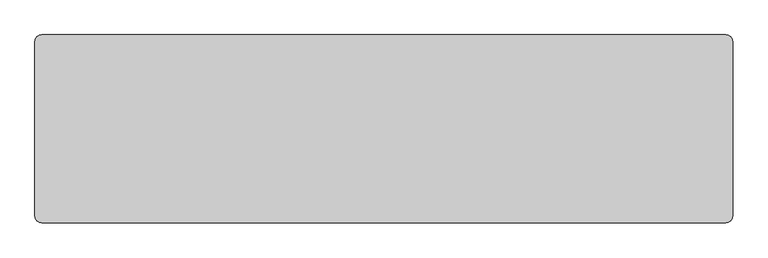
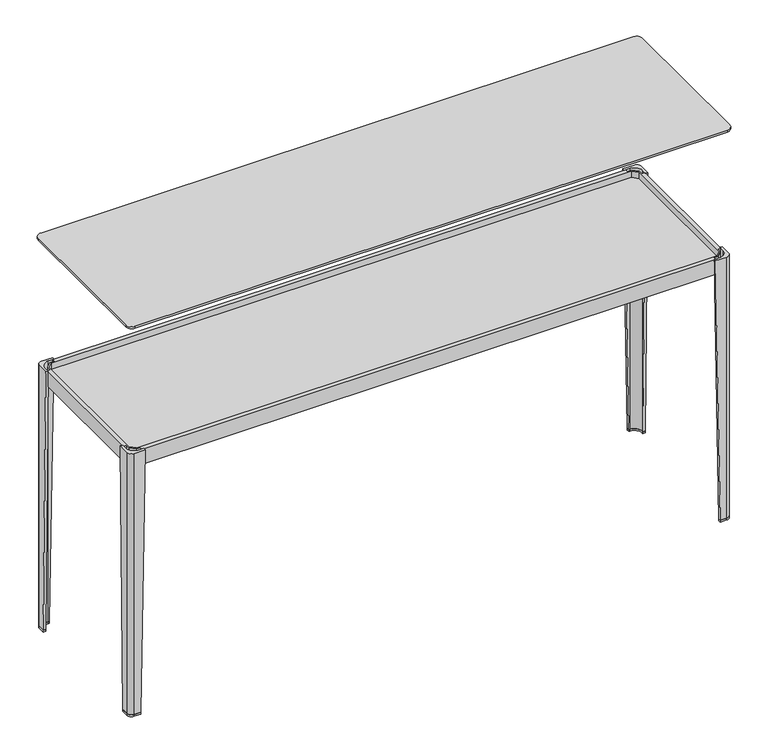
"""IFC4 building model written with IfcOpenShell, lengths in millimetres: furniture geometry."""

from ifc_helpers import new_model, si_unit, point, frame, frame_2d, origin, place, context, project, spatial, polyline, circle_curve, trimmed, segment, composite_curve, outline, extrude, source, transform, mapped, element, save
from ifc_brep_helpers import plane_surface, cylinder_surface, revolved_surface, advanced_brep


def furniture_13eafac0(model_context):
    return source(origin(), model_context, "Body", "SolidModel", [
        advanced_brep(
        [(481.2947115, -150.3399901, 276.4600147), (487.294712, -150.3399901, 276.4600147), (487.294712, -141.2900835, 276.4600147), (470.3447824, -124.3400512, 276.4600147), (461.2947127, -124.3399964, 276.4600147), (461.2947127, -130.3400481, 276.4600147), (470.6881096, -130.3400481, 276.4600147), (481.2947115, -140.9465954, 276.4600147), (481.2947115, -142.5065293, 261.4600037), (481.2947115, -140.9465954, 261.4600037), (470.6881096, -130.3400481, 261.4600037), (469.1282257, -130.3400481, 261.4600037), (469.1282257, -124.3400439, 261.4600037), (470.3447824, -124.3400512, 261.4600037), (487.294712, -141.2900835, 261.4600037), (487.294712, -142.5065293, 261.4600037)],
        [
            (0, 1),
            (1, 2),
            (2, 3, circle_curve(frame((470.3446797, -141.2900835, 276.4600147), z_axis=(0.0, 0.0, 1.0), x_axis=(0.0, 1.0, 0.0)), 16.9500323)),
            (3, 4),
            (4, 5),
            (5, 6),
            (6, 7),
            (7, 0),
            (8, 9),
            (9, 10),
            (10, 11),
            (11, 12),
            (12, 13),
            (13, 14, circle_curve(frame((470.3446797, -141.2900835, 261.4600037), z_axis=(0.0, 0.0, -1.0), x_axis=(0.0, 1.0, 0.0)), 16.9500323)),
            (14, 15),
            (15, 8),
            (15, 1),
            (0, 8),
            (14, 2),
            (13, 3),
            (12, 4),
            (11, 5),
            (10, 6),
            (9, 7),
        ],
        [
            plane_surface(frame((475.1001455, -136.5346004, 276.4600147), z_axis=(0.0, 0.0, 1.0), x_axis=(1.0, 0.0, 0.0))),
            plane_surface(frame((477.0585238, -134.5762411, 261.4600037), z_axis=(0.0, 0.0, -1.0), x_axis=(1.0, 0.0, 0.0))),
            plane_surface(frame((484.2947117, -142.5065293, 261.4600037), z_axis=(0.0, -0.8864062173017704, -0.46290821760773126), x_axis=(1.0, 0.0, 0.0))),
            plane_surface(frame((487.294712, -141.8983064, 261.4600037), z_axis=(1.0, 0.0, 0.0), x_axis=(0.0, 1.0, 0.0))),
            cylinder_surface(frame((470.3446797, -141.2900835, 261.4600037), z_axis=(0.0, 0.0, 1.0), x_axis=(0.0, 1.0, 0.0)), 16.9500323),
            plane_surface(frame((469.7365041, -124.3400475, 261.4600037), z_axis=(6.055831599460085e-06, 0.9999999999816634, 0.0), x_axis=(-0.9999999999816634, 6.055831599460085e-06, 0.0))),
            plane_surface(frame((469.1282257, -127.340046, 261.4600037), z_axis=(-0.8864049508100563, 0.0, -0.4629106427588608), x_axis=(0.0, -1.0, 0.0))),
            plane_surface(frame((469.9081677, -130.3400481, 261.4600037), z_axis=(0.0, -1.0, 0.0), x_axis=(1.0, 0.0, 0.0))),
            plane_surface(frame((475.9914105, -135.6433217, 261.4600037), z_axis=(-0.7071049644303243, -0.707108597938103, 0.0), x_axis=(0.707108597938103, -0.7071049644303243, 0.0))),
            plane_surface(frame((481.2947115, -141.7265623, 261.4600037), z_axis=(-1.0, 0.0, 0.0), x_axis=(0.0, -1.0, 0.0))),
        ],
        [
            (0, [[1, 2, 3, 4, 5, 6, 7, 8]]),
            (1, [[9, 10, 11, 12, 13, 14, 15, 16]]),
            (2, [[-16, 17, -1, 18]]),
            (3, [[-15, 19, -2, -17]]),
            (4, [[-14, 20, -3, -19]]),
            (5, [[-13, 21, -4, -20]]),
            (6, [[-12, 22, -5, -21]]),
            (7, [[-11, 23, -6, -22]]),
            (8, [[-10, 24, -7, -23]]),
            (9, [[-9, -18, -8, -24]]),
        ],
    ),
        advanced_brep(
        [(-792.1852878, -150.3399901, 276.4600147), (-792.1852878, -140.9465954, 276.4600147), (-781.5786859, -130.3400481, 276.4600147), (-772.185289, -130.3400481, 276.4600147), (-772.185289, -124.3399964, 276.4600147), (-781.2353587, -124.3400512, 276.4600147), (-798.1852883, -141.2900835, 276.4600147), (-798.1852883, -150.3399901, 276.4600147), (-792.1852878, -142.5065293, 261.4600037), (-798.1852883, -142.5065293, 261.4600037), (-798.1852883, -141.2900835, 261.4600037), (-781.2353587, -124.3400512, 261.4600037), (-780.018802, -124.3400439, 261.4600037), (-780.018802, -130.3400481, 261.4600037), (-781.5786859, -130.3400481, 261.4600037), (-792.1852878, -140.9465954, 261.4600037)],
        [
            (0, 1),
            (1, 2),
            (2, 3),
            (3, 4),
            (4, 5),
            (5, 6, circle_curve(frame((-781.235256, -141.2900835, 276.4600147), z_axis=(0.0, 0.0, 1.0), x_axis=(-0.9999999999816634, -6.055831230556176e-06, 0.0)), 16.9500323)),
            (6, 7),
            (7, 0),
            (8, 9),
            (9, 10),
            (10, 11, circle_curve(frame((-781.235256, -141.2900835, 261.4600037), z_axis=(0.0, 0.0, -1.0), x_axis=(-0.9999999999816634, -6.055831230556176e-06, 0.0)), 16.9500323)),
            (11, 12),
            (12, 13),
            (13, 14),
            (14, 15),
            (15, 8),
            (8, 0),
            (7, 9),
            (6, 10),
            (5, 11),
            (4, 12),
            (3, 13),
            (2, 14),
            (1, 15),
        ],
        [
            plane_surface(frame((-785.9907218, -136.5346004, 276.4600147), z_axis=(0.0, 0.0, 1.0), x_axis=(0.0, 1.0, 0.0))),
            plane_surface(frame((-787.9491001, -134.5762411, 261.4600037), z_axis=(0.0, 0.0, -1.0), x_axis=(0.0, 1.0, 0.0))),
            plane_surface(frame((-795.185288, -142.5065293, 261.4600037), z_axis=(0.0, -0.886406217301813, -0.46290821760764955), x_axis=(1.0, 0.0, 0.0))),
            plane_surface(frame((-798.1852883, -141.8983064, 261.4600037), z_axis=(-1.0, 0.0, 0.0), x_axis=(0.0, -1.0, 0.0))),
            cylinder_surface(frame((-781.235256, -141.2900835, 261.4600037), z_axis=(0.0, 0.0, 1.0), x_axis=(-0.9999999999816634, -6.055831230556176e-06, 0.0)), 16.9500323),
            plane_surface(frame((-780.6270804, -124.3400475, 261.4600037), z_axis=(-6.055831517198985e-06, 0.9999999999816636, 0.0), x_axis=(-0.9999999999816636, -6.055831517198985e-06, 0.0))),
            plane_surface(frame((-780.018802, -127.340046, 261.4600037), z_axis=(0.8864049508100531, 0.0, -0.4629106427588671), x_axis=(0.0, 1.0, 0.0))),
            plane_surface(frame((-780.798744, -130.3400481, 261.4600037), z_axis=(0.0, -1.0, 0.0), x_axis=(1.0, 0.0, 0.0))),
            plane_surface(frame((-786.8819868, -135.6433217, 261.4600037), z_axis=(0.7071049644302183, -0.707108597938209, 0.0), x_axis=(0.707108597938209, 0.7071049644302183, 0.0))),
            plane_surface(frame((-792.1852878, -141.7265623, 261.4600037), z_axis=(1.0, 0.0, 0.0), x_axis=(0.0, 1.0, 0.0))),
        ],
        [
            (0, [[1, 2, 3, 4, 5, 6, 7, 8]]),
            (1, [[9, 10, 11, 12, 13, 14, 15, 16]]),
            (2, [[-9, 17, -8, 18]]),
            (3, [[-10, -18, -7, 19]]),
            (4, [[-11, -19, -6, 20]]),
            (5, [[-12, -20, -5, 21]]),
            (6, [[-13, -21, -4, 22]]),
            (7, [[-14, -22, -3, 23]]),
            (8, [[-15, -23, -2, 24]]),
            (9, [[-16, -24, -1, -17]]),
        ],
    ),
        advanced_brep(
        [(481.2947115, -433.8600099, 276.4600147), (481.2947115, -443.2534046, 276.4600147), (470.6881096, -453.8599519, 276.4600147), (461.2947127, -453.8599519, 276.4600147), (461.2947127, -459.8600036, 276.4600147), (470.3447824, -459.8599488, 276.4600147), (487.294712, -442.9099165, 276.4600147), (487.294712, -433.8600099, 276.4600147), (481.2947115, -441.6934707, 261.4600037), (487.294712, -441.6934707, 261.4600037), (487.294712, -442.9099165, 261.4600037), (470.3447824, -459.8599488, 261.4600037), (469.1282257, -459.8599561, 261.4600037), (469.1282257, -453.8599519, 261.4600037), (470.6881096, -453.8599519, 261.4600037), (481.2947115, -443.2534046, 261.4600037)],
        [
            (0, 1),
            (1, 2),
            (2, 3),
            (3, 4),
            (4, 5),
            (5, 6, circle_curve(frame((470.3446797, -442.9099165, 276.4600147), z_axis=(0.0, 0.0, 1.0), x_axis=(0.9999999999816634, 6.055831301732914e-06, 0.0)), 16.9500323)),
            (6, 7),
            (7, 0),
            (8, 9),
            (9, 10),
            (10, 11, circle_curve(frame((470.3446797, -442.9099165, 261.4600037), z_axis=(0.0, 0.0, -1.0), x_axis=(0.9999999999816634, 6.055831301732914e-06, 0.0)), 16.9500323)),
            (11, 12),
            (12, 13),
            (13, 14),
            (14, 15),
            (15, 8),
            (8, 0),
            (7, 9),
            (6, 10),
            (5, 11),
            (4, 12),
            (3, 13),
            (2, 14),
            (1, 15),
        ],
        [
            plane_surface(frame((475.1001455, -447.6653996, 276.4600147), z_axis=(0.0, 0.0, 1.0), x_axis=(0.0, -1.0, 0.0))),
            plane_surface(frame((477.0585238, -449.6237589, 261.4600037), z_axis=(0.0, 0.0, -1.0), x_axis=(0.0, -1.0, 0.0))),
            plane_surface(frame((484.2947117, -441.6934707, 261.4600037), z_axis=(0.0, 0.8864062173018031, -0.4629082176076684), x_axis=(-1.0, 0.0, 0.0))),
            plane_surface(frame((487.294712, -442.3016936, 261.4600037), z_axis=(1.0, 0.0, 0.0), x_axis=(0.0, 1.0, 0.0))),
            cylinder_surface(frame((470.3446797, -442.9099165, 261.4600037), z_axis=(0.0, 0.0, 1.0), x_axis=(0.9999999999816634, 6.055831301732914e-06, 0.0)), 16.9500323),
            plane_surface(frame((469.7365041, -459.8599525, 261.4600037), z_axis=(6.0558315620688244e-06, -0.9999999999816636, 0.0), x_axis=(0.9999999999816636, 6.0558315620688244e-06, 0.0))),
            plane_surface(frame((469.1282257, -456.859954, 261.4600037), z_axis=(-0.8864049508100547, 0.0, -0.4629106427588639), x_axis=(0.0, -1.0, 0.0))),
            plane_surface(frame((469.9081677, -453.8599519, 261.4600037), z_axis=(0.0, 1.0, 0.0), x_axis=(-1.0, 0.0, 0.0))),
            plane_surface(frame((475.9914105, -448.5566783, 261.4600037), z_axis=(-0.7071049644302635, 0.7071085979381639, 0.0), x_axis=(-0.7071085979381639, -0.7071049644302635, 0.0))),
            plane_surface(frame((481.2947115, -442.4734377, 261.4600037), z_axis=(-1.0, 0.0, 0.0), x_axis=(0.0, -1.0, 0.0))),
        ],
        [
            (0, [[1, 2, 3, 4, 5, 6, 7, 8]]),
            (1, [[9, 10, 11, 12, 13, 14, 15, 16]]),
            (2, [[-9, 17, -8, 18]]),
            (3, [[-10, -18, -7, 19]]),
            (4, [[-11, -19, -6, 20]]),
            (5, [[-12, -20, -5, 21]]),
            (6, [[-13, -21, -4, 22]]),
            (7, [[-14, -22, -3, 23]]),
            (8, [[-15, -23, -2, 24]]),
            (9, [[-16, -24, -1, -17]]),
        ],
    ),
        advanced_brep(
        [(-792.1852878, -433.8600099, 276.4600147), (-798.1852883, -433.8600099, 276.4600147), (-798.1852883, -442.9099165, 276.4600147), (-781.2353587, -459.8599488, 276.4600147), (-772.185289, -459.8600036, 276.4600147), (-772.185289, -453.8599519, 276.4600147), (-781.5786859, -453.8599519, 276.4600147), (-792.1852878, -443.2534046, 276.4600147), (-792.1852878, -441.6934707, 261.4600037), (-792.1852878, -443.2534046, 261.4600037), (-781.5786859, -453.8599519, 261.4600037), (-780.018802, -453.8599519, 261.4600037), (-780.018802, -459.8599561, 261.4600037), (-781.2353587, -459.8599488, 261.4600037), (-798.1852883, -442.9099165, 261.4600037), (-798.1852883, -441.6934707, 261.4600037)],
        [
            (0, 1),
            (1, 2),
            (2, 3, circle_curve(frame((-781.235256, -442.9099165, 276.4600147), z_axis=(0.0, 0.0, 1.0), x_axis=(0.0, -1.0, 0.0)), 16.9500323)),
            (3, 4),
            (4, 5),
            (5, 6),
            (6, 7),
            (7, 0),
            (8, 9),
            (9, 10),
            (10, 11),
            (11, 12),
            (12, 13),
            (13, 14, circle_curve(frame((-781.235256, -442.9099165, 261.4600037), z_axis=(0.0, 0.0, -1.0), x_axis=(0.0, -1.0, 0.0)), 16.9500323)),
            (14, 15),
            (15, 8),
            (15, 1),
            (0, 8),
            (14, 2),
            (13, 3),
            (12, 4),
            (11, 5),
            (10, 6),
            (9, 7),
        ],
        [
            plane_surface(frame((-785.9907218, -447.6653996, 276.4600147), z_axis=(0.0, 0.0, 1.0), x_axis=(-1.0, 0.0, 0.0))),
            plane_surface(frame((-787.9491001, -449.6237589, 261.4600037), z_axis=(0.0, 0.0, -1.0), x_axis=(-1.0, 0.0, 0.0))),
            plane_surface(frame((-795.185288, -441.6934707, 261.4600037), z_axis=(0.0, 0.8864062173018425, -0.46290821760759304), x_axis=(-1.0, 0.0, 0.0))),
            plane_surface(frame((-798.1852883, -442.3016936, 261.4600037), z_axis=(-1.0, 0.0, 0.0), x_axis=(0.0, -1.0, 0.0))),
            cylinder_surface(frame((-781.235256, -442.9099165, 261.4600037), z_axis=(0.0, 0.0, 1.0), x_axis=(0.0, -1.0, 0.0)), 16.9500323),
            plane_surface(frame((-780.6270804, -459.8599525, 261.4600037), z_axis=(-6.055831547112392e-06, -0.9999999999816634, 0.0), x_axis=(0.9999999999816634, -6.055831547112392e-06, 0.0))),
            plane_surface(frame((-780.018802, -456.859954, 261.4600037), z_axis=(0.8864049508100531, 0.0, -0.4629106427588671), x_axis=(0.0, 1.0, 0.0))),
            plane_surface(frame((-780.798744, -453.8599519, 261.4600037), z_axis=(0.0, 1.0, 0.0), x_axis=(-1.0, 0.0, 0.0))),
            plane_surface(frame((-786.8819868, -448.5566783, 261.4600037), z_axis=(0.7071049644302341, 0.7071085979381933, 0.0), x_axis=(-0.7071085979381933, 0.7071049644302341, 0.0))),
            plane_surface(frame((-792.1852878, -442.4734377, 261.4600037), z_axis=(1.0, 0.0, 0.0), x_axis=(0.0, 1.0, 0.0))),
        ],
        [
            (0, [[1, 2, 3, 4, 5, 6, 7, 8]]),
            (1, [[9, 10, 11, 12, 13, 14, 15, 16]]),
            (2, [[-16, 17, -1, 18]]),
            (3, [[-15, 19, -2, -17]]),
            (4, [[-14, 20, -3, -19]]),
            (5, [[-13, 21, -4, -20]]),
            (6, [[-12, 22, -5, -21]]),
            (7, [[-11, 23, -6, -22]]),
            (8, [[-10, 24, -7, -23]]),
            (9, [[-9, -18, -8, -24]]),
        ],
    ),
        extrude(outline(polyline([(-789.6852882, -142.8399859), (-779.6852877, -132.8399854), (468.7947146, -132.8399854), (478.7946856, -142.8399859), (478.7946856, -441.3599882), (468.7947146, -451.3599592), (-779.6852877, -451.3599592), (-789.6852882, -441.3599882), (-789.6852882, -142.8399859)])), frame((0.0, 0.0, 276.4600147), z_axis=(0.0, 0.0, 1.0), x_axis=(1.0, 0.0, 0.0)), (0.0, 0.0, 1.0), 19.9999965),
        extrude(outline(polyline([(-798.1852883, -150.3399846), (-792.1852878, -150.3399846), (-792.1852878, -140.9465877), (-781.5786859, -130.367346), (-772.185289, -130.367346), (-772.185289, -124.3742235), (461.2947363, -124.3816933), (461.2947363, -130.367346), (470.688131, -130.367346), (481.2946783, -140.9465877), (481.2946783, -150.3399846), (487.294712, -150.3399846), (487.294712, -433.8600099), (481.2946783, -433.8600099), (481.2946783, -443.2534046), (470.688131, -453.8301616), (461.2947363, -453.8301616), (461.2947363, -459.8183069), (-772.185289, -459.8257766), (-772.185289, -453.8325919), (-781.5786859, -453.8325919), (-792.1852878, -443.2534046), (-792.1852878, -433.8600099), (-798.1852883, -433.8600099), (-798.1852883, -150.3399846)]), holes=[polyline([(-779.6852877, -451.3301688), (468.7947146, -451.3301688), (478.7946856, -441.3599882), (478.7946856, -142.8399859), (468.7947146, -132.8673456), (-779.6852877, -132.8673456), (-789.6852882, -142.8399859), (-789.6852882, -441.3599882), (-779.6852877, -451.3301688)])]), frame((0.0, 0.0, 276.4600147), z_axis=(0.0, 0.0, 1.0), x_axis=(1.0, 0.0, 0.0)), (0.0, 0.0, 1.0), 34.5000017),
        extrude(outline(composite_curve([segment(polyline([(-779.1852887, -119.3401441), (-779.1852887, -124.3400388), (-781.2353587, -124.3400512)]), True, "CONTINUOUS"), segment(trimmed(circle_curve(frame_2d((-781.235256, -141.2900835)), 16.9500323), [point((-781.2353587, -124.3400512))], [point((-798.1852883, -141.2900835))], True, "CARTESIAN"), True, "CONTINUOUS"), segment(polyline([(-798.1852883, -141.2900835), (-798.1852883, -143.3399813), (-803.1850423, -143.3399813), (-803.1850423, -128.9449672)]), True, "CONTINUOUS"), segment(trimmed(circle_curve(frame_2d((-793.5802193, -128.9449672)), 9.604823), [point((-803.1850423, -128.9449672))], [point((-793.5802193, -119.3401441))], False, "CARTESIAN"), True, "CONTINUOUS"), segment(polyline([(-793.5802193, -119.3401441), (-779.1852887, -119.3401441)]), True, "CONTINUOUS")], self_intersect=False)), frame((0.0, 0.0, -286.5199942), z_axis=(0.0, 0.0, 1.0), x_axis=(1.0, 0.0, 0.0)), (0.0, 0.0, 1.0), 4.0),
        advanced_brep(
        [(-793.5802193, -119.3401441, 311.4600223), (-803.1850423, -128.9449672, 311.4600223), (-803.1850423, -153.340025, 311.4600223), (-798.1852883, -153.340025, 311.4600223), (-798.1852883, -141.2900835, 311.4600223), (-781.2353587, -124.3400512, 311.4600223), (-769.1852881, -124.3399783, 311.4600223), (-769.1852881, -119.3401441, 311.4600223), (-793.5802193, -119.3401441, -282.5199942), (-779.1852887, -119.3401441, -282.5199942), (-779.1852887, -124.3400388, -282.5199942), (-781.2353587, -124.3400512, -282.5199942), (-798.1852883, -141.2900835, -282.5199942), (-798.1852883, -143.3399813, -282.5199942), (-803.1850423, -143.3399813, -282.5199942), (-803.1850423, -128.9449672, -282.5199942)],
        [
            (0, 1, circle_curve(frame((-793.5802193, -128.9449672, 311.4600223), z_axis=(0.0, 0.0, 1.0), x_axis=(-1.0, 0.0, 0.0)), 9.604823)),
            (1, 2),
            (2, 3),
            (3, 4),
            (4, 5, circle_curve(frame((-781.235256, -141.2900835, 311.4600223), z_axis=(0.0, 0.0, -1.0), x_axis=(0.0, 1.0, 0.0)), 16.9500323)),
            (5, 6),
            (6, 7),
            (7, 0),
            (8, 9),
            (9, 10),
            (10, 11),
            (11, 12, circle_curve(frame((-781.235256, -141.2900835, -282.5199942), z_axis=(0.0, 0.0, 1.0), x_axis=(0.0, 1.0, 0.0)), 16.9500323)),
            (12, 13),
            (13, 14),
            (14, 15),
            (15, 8, circle_curve(frame((-793.5802193, -128.9449672, -282.5199942), z_axis=(0.0, 0.0, -1.0), x_axis=(-1.0, 0.0, 0.0)), 9.604823)),
            (10, 6),
            (5, 11),
            (14, 2),
            (1, 15),
            (0, 8),
            (7, 9),
            (13, 3),
            (4, 12),
        ],
        [
            plane_surface(frame((-789.4908519, -133.0344273, 311.4600223), z_axis=(0.0, 0.0, 1.0), x_axis=(0.0, 1.0, 0.0))),
            plane_surface(frame((-791.9908521, -130.534424, -282.5199942), z_axis=(0.0, 0.0, -1.0), x_axis=(0.0, 1.0, 0.0))),
            plane_surface(frame((-780.2103237, -124.340045, -282.5199942), z_axis=(6.055830889075174e-06, -0.9999999999816634, 0.0), x_axis=(0.9999999999816634, 6.055830889075174e-06, 0.0))),
            plane_surface(frame((-803.1850423, -136.1424742, -282.5199942), z_axis=(-1.0, 0.0, 0.0), x_axis=(0.0, -1.0, 0.0))),
            cylinder_surface(frame((-793.5802193, -128.9449672, -282.5199942), z_axis=(0.0, 0.0, 1.0), x_axis=(-1.0, 0.0, 0.0)), 9.604823),
            plane_surface(frame((-786.382754, -119.3401441, -282.5199942), z_axis=(0.0, 1.0, 0.0), x_axis=(-1.0, 0.0, 0.0))),
            plane_surface(frame((-779.1852887, -121.8400915, -282.5199942), z_axis=(0.9998583116727935, 0.0, -0.016833198710612497), x_axis=(0.0, 1.0, 0.0))),
            plane_surface(frame((-800.6851653, -143.3399813, -282.5199942), z_axis=(0.0, -0.9998583104503462, -0.01683327132137671), x_axis=(1.0, 0.0, 0.0))),
            revolved_surface(polyline([(-781.235256, -124.3400512, 311.46002229999993), (-781.235256, -124.3400512, -282.5199942)]), (-781.235256, -141.2900835, -282.5199942), (0.0, 0.0, 1.0)),
            plane_surface(frame((-798.1852883, -142.3150324, -282.5199942), z_axis=(1.0, 0.0, 0.0), x_axis=(0.0, 1.0, 0.0))),
        ],
        [
            (0, [[1, 2, 3, 4, 5, 6, 7, 8]]),
            (1, [[9, 10, 11, 12, 13, 14, 15, 16]]),
            (2, [[-11, 17, -6, 18]]),
            (3, [[-15, 19, -2, 20]]),
            (4, [[-16, -20, -1, 21]]),
            (5, [[-9, -21, -8, 22]]),
            (6, [[-10, -22, -7, -17]]),
            (7, [[-14, 23, -3, -19]]),
            (8, [[-12, -18, -5, 24]]),
            (9, [[-13, -24, -4, -23]]),
        ],
    ),
        extrude(outline(composite_curve([segment(polyline([(468.2947124, -119.3401441), (482.689643, -119.3401441)]), True, "CONTINUOUS"), segment(trimmed(circle_curve(frame_2d((482.689643, -128.9449672)), 9.604823), [point((482.689643, -119.3401441))], [point((492.294466, -128.9449672))], False, "CARTESIAN"), True, "CONTINUOUS"), segment(polyline([(492.294466, -128.9449672), (492.294466, -143.3399813), (487.294712, -143.3399813), (487.294712, -141.2900835)]), True, "CONTINUOUS"), segment(trimmed(circle_curve(frame_2d((470.3446797, -141.2900835)), 16.9500323), [point((487.294712, -141.2900835))], [point((470.3447824, -124.3400512))], True, "CARTESIAN"), True, "CONTINUOUS"), segment(polyline([(470.3447824, -124.3400512), (468.2947124, -124.3400388), (468.2947124, -119.3401441)]), True, "CONTINUOUS")], self_intersect=False)), frame((0.0, 0.0, -286.5199942), z_axis=(0.0, 0.0, 1.0), x_axis=(1.0, 0.0, 0.0)), (0.0, 0.0, 1.0), 4.0),
        advanced_brep(
        [(482.689643, -119.3401441, 311.4600223), (458.2947118, -119.3401441, 311.4600223), (458.2947118, -124.3399783, 311.4600223), (470.3447824, -124.3400512, 311.4600223), (487.294712, -141.2900835, 311.4600223), (487.294712, -153.340025, 311.4600223), (492.294466, -153.340025, 311.4600223), (492.294466, -128.9449672, 311.4600223), (482.689643, -119.3401441, -282.5199942), (492.294466, -128.9449672, -282.5199942), (492.294466, -143.3399813, -282.5199942), (487.294712, -143.3399813, -282.5199942), (487.294712, -141.2900835, -282.5199942), (470.3447824, -124.3400512, -282.5199942), (468.2947124, -124.3400388, -282.5199942), (468.2947124, -119.3401441, -282.5199942)],
        [
            (0, 1),
            (1, 2),
            (2, 3),
            (3, 4, circle_curve(frame((470.3446797, -141.2900835, 311.4600223), z_axis=(0.0, 0.0, -1.0), x_axis=(0.9999999999816634, -6.055831369081084e-06, 0.0)), 16.9500323)),
            (4, 5),
            (5, 6),
            (6, 7),
            (7, 0, circle_curve(frame((482.689643, -128.9449672, 311.4600223), z_axis=(0.0, 0.0, 1.0), x_axis=(0.0, 1.0, 0.0)), 9.604823)),
            (8, 9, circle_curve(frame((482.689643, -128.9449672, -282.5199942), z_axis=(0.0, 0.0, -1.0), x_axis=(0.0, 1.0, 0.0)), 9.604823)),
            (9, 10),
            (10, 11),
            (11, 12),
            (12, 13, circle_curve(frame((470.3446797, -141.2900835, -282.5199942), z_axis=(0.0, 0.0, 1.0), x_axis=(0.9999999999816634, -6.055831369081084e-06, 0.0)), 16.9500323)),
            (13, 14),
            (14, 15),
            (15, 8),
            (13, 3),
            (2, 14),
            (9, 7),
            (6, 10),
            (8, 0),
            (15, 1),
            (5, 11),
            (12, 4),
        ],
        [
            plane_surface(frame((478.6002756, -133.0344273, 311.4600223), z_axis=(0.0, 0.0, 1.0), x_axis=(1.0, 0.0, 0.0))),
            plane_surface(frame((481.1002758, -130.534424, -282.5199942), z_axis=(0.0, 0.0, -1.0), x_axis=(1.0, 0.0, 0.0))),
            plane_surface(frame((469.3197474, -124.340045, -282.5199942), z_axis=(-6.055832107868581e-06, -0.9999999999816634, 0.0), x_axis=(0.9999999999816634, -6.055832107868581e-06, 0.0))),
            plane_surface(frame((492.294466, -136.1424742, -282.5199942), z_axis=(1.0, 0.0, 0.0), x_axis=(0.0, 1.0, 0.0))),
            cylinder_surface(frame((482.689643, -128.9449672, -282.5199942), z_axis=(0.0, 0.0, 1.0), x_axis=(0.0, 1.0, 0.0)), 9.604823),
            plane_surface(frame((475.4921777, -119.3401441, -282.5199942), z_axis=(0.0, 1.0, 0.0), x_axis=(-1.0, 0.0, 0.0))),
            plane_surface(frame((468.2947124, -121.8400915, -282.5199942), z_axis=(-0.9998583116727936, 0.0, -0.016833198710608163), x_axis=(0.0, -1.0, 0.0))),
            plane_surface(frame((489.794589, -143.3399813, -282.5199942), z_axis=(0.0, -0.999858310450344, -0.016833271321508653), x_axis=(1.0, 0.0, 0.0))),
            revolved_surface(polyline([(487.2947119996892, -141.2901861465373, 311.46002229999993), (487.2947119996892, -141.2901861465373, -282.5199942)]), (470.3446797, -141.2900835, -282.5199942), (0.0, 0.0, 1.0)),
            plane_surface(frame((487.294712, -142.3150324, -282.5199942), z_axis=(-1.0, 0.0, 0.0), x_axis=(0.0, -1.0, 0.0))),
        ],
        [
            (0, [[1, 2, 3, 4, 5, 6, 7, 8]]),
            (1, [[9, 10, 11, 12, 13, 14, 15, 16]]),
            (2, [[-14, 17, -3, 18]]),
            (3, [[-10, 19, -7, 20]]),
            (4, [[-9, 21, -8, -19]]),
            (5, [[-16, 22, -1, -21]]),
            (6, [[-15, -18, -2, -22]]),
            (7, [[-11, -20, -6, 23]]),
            (8, [[-13, 24, -4, -17]]),
            (9, [[-12, -23, -5, -24]]),
        ],
    ),
        extrude(outline(composite_curve([segment(polyline([(468.2947124, -464.8598559), (468.2947124, -459.8599612), (470.3447824, -459.8599488)]), True, "CONTINUOUS"), segment(trimmed(circle_curve(frame_2d((470.3446797, -442.9099165)), 16.9500323), [point((470.3447824, -459.8599488))], [point((487.294712, -442.9099165))], True, "CARTESIAN"), True, "CONTINUOUS"), segment(polyline([(487.294712, -442.9099165), (487.294712, -440.8600187), (492.294466, -440.8600187), (492.294466, -455.2550328)]), True, "CONTINUOUS"), segment(trimmed(circle_curve(frame_2d((482.689643, -455.2550328)), 9.604823), [point((492.294466, -455.2550328))], [point((482.689643, -464.8598559))], False, "CARTESIAN"), True, "CONTINUOUS"), segment(polyline([(482.689643, -464.8598559), (468.2947124, -464.8598559)]), True, "CONTINUOUS")], self_intersect=False)), frame((0.0, 0.0, -286.5199942), z_axis=(0.0, 0.0, 1.0), x_axis=(1.0, 0.0, 0.0)), (0.0, 0.0, 1.0), 4.0),
        advanced_brep(
        [(482.689643, -464.8598559, 311.4600223), (492.294466, -455.2550328, 311.4600223), (492.294466, -430.859975, 311.4600223), (487.294712, -430.859975, 311.4600223), (487.294712, -442.9099165, 311.4600223), (470.3447824, -459.8599488, 311.4600223), (458.2947118, -459.8600217, 311.4600223), (458.2947118, -464.8598559, 311.4600223), (482.689643, -464.8598559, -282.5199942), (468.2947124, -464.8598559, -282.5199942), (468.2947124, -459.8599612, -282.5199942), (470.3447824, -459.8599488, -282.5199942), (487.294712, -442.9099165, -282.5199942), (487.294712, -440.8600187, -282.5199942), (492.294466, -440.8600187, -282.5199942), (492.294466, -455.2550328, -282.5199942)],
        [
            (0, 1, circle_curve(frame((482.689643, -455.2550328, 311.4600223), z_axis=(0.0, 0.0, 1.0), x_axis=(1.0, 0.0, 0.0)), 9.604823)),
            (1, 2),
            (2, 3),
            (3, 4),
            (4, 5, circle_curve(frame((470.3446797, -442.9099165, 311.4600223), z_axis=(0.0, 0.0, -1.0), x_axis=(0.0, -1.0, 0.0)), 16.9500323)),
            (5, 6),
            (6, 7),
            (7, 0),
            (8, 9),
            (9, 10),
            (10, 11),
            (11, 12, circle_curve(frame((470.3446797, -442.9099165, -282.5199942), z_axis=(0.0, 0.0, 1.0), x_axis=(0.0, -1.0, 0.0)), 16.9500323)),
            (12, 13),
            (13, 14),
            (14, 15),
            (15, 8, circle_curve(frame((482.689643, -455.2550328, -282.5199942), z_axis=(0.0, 0.0, -1.0), x_axis=(1.0, 0.0, 0.0)), 9.604823)),
            (10, 6),
            (5, 11),
            (14, 2),
            (1, 15),
            (0, 8),
            (7, 9),
            (13, 3),
            (4, 12),
        ],
        [
            plane_surface(frame((478.6002756, -451.1655727, 311.4600223), z_axis=(0.0, 0.0, 1.0), x_axis=(0.0, -1.0, 0.0))),
            plane_surface(frame((481.1002758, -453.665576, -282.5199942), z_axis=(0.0, 0.0, -1.0), x_axis=(0.0, -1.0, 0.0))),
            plane_surface(frame((469.3197474, -459.859955, -282.5199942), z_axis=(-6.055831360894158e-06, 0.9999999999816636, 0.0), x_axis=(-0.9999999999816636, -6.055831360894158e-06, 0.0))),
            plane_surface(frame((492.294466, -448.0575258, -282.5199942), z_axis=(1.0, 0.0, 0.0), x_axis=(0.0, 1.0, 0.0))),
            cylinder_surface(frame((482.689643, -455.2550328, -282.5199942), z_axis=(0.0, 0.0, 1.0), x_axis=(1.0, 0.0, 0.0)), 9.604823),
            plane_surface(frame((475.4921777, -464.8598559, -282.5199942), z_axis=(0.0, -1.0, 0.0), x_axis=(1.0, 0.0, 0.0))),
            plane_surface(frame((468.2947124, -462.3599085, -282.5199942), z_axis=(-0.9998583116727942, 0.0, -0.01683319871057354), x_axis=(0.0, -1.0, 0.0))),
            plane_surface(frame((489.794589, -440.8600187, -282.5199942), z_axis=(0.0, 0.9998583104503439, -0.016833271321515145), x_axis=(-1.0, 0.0, 0.0))),
            revolved_surface(polyline([(470.3446797, -459.8599488, 311.46002229999993), (470.3446797, -459.8599488, -282.5199942)]), (470.3446797, -442.9099165, -282.5199942), (0.0, 0.0, 1.0)),
            plane_surface(frame((487.294712, -441.8849676, -282.5199942), z_axis=(-1.0, 0.0, 0.0), x_axis=(0.0, -1.0, 0.0))),
        ],
        [
            (0, [[1, 2, 3, 4, 5, 6, 7, 8]]),
            (1, [[9, 10, 11, 12, 13, 14, 15, 16]]),
            (2, [[-11, 17, -6, 18]]),
            (3, [[-15, 19, -2, 20]]),
            (4, [[-16, -20, -1, 21]]),
            (5, [[-9, -21, -8, 22]]),
            (6, [[-10, -22, -7, -17]]),
            (7, [[-14, 23, -3, -19]]),
            (8, [[-12, -18, -5, 24]]),
            (9, [[-13, -24, -4, -23]]),
        ],
    ),
        extrude(outline(composite_curve([segment(polyline([(-779.1852887, -464.8598559), (-793.5802193, -464.8598559)]), True, "CONTINUOUS"), segment(trimmed(circle_curve(frame_2d((-793.5802193, -455.2550328)), 9.604823), [point((-793.5802193, -464.8598559))], [point((-803.1850423, -455.2550328))], False, "CARTESIAN"), True, "CONTINUOUS"), segment(polyline([(-803.1850423, -455.2550328), (-803.1850423, -440.8600187), (-798.1852883, -440.8600187), (-798.1852883, -442.9099165)]), True, "CONTINUOUS"), segment(trimmed(circle_curve(frame_2d((-781.235256, -442.9099165)), 16.9500323), [point((-798.1852883, -442.9099165))], [point((-781.2353587, -459.8599488))], True, "CARTESIAN"), True, "CONTINUOUS"), segment(polyline([(-781.2353587, -459.8599488), (-779.1852887, -459.8599612), (-779.1852887, -464.8598559)]), True, "CONTINUOUS")], self_intersect=False)), frame((0.0, 0.0, -286.5199942), z_axis=(0.0, 0.0, 1.0), x_axis=(1.0, 0.0, 0.0)), (0.0, 0.0, 1.0), 4.0),
        advanced_brep(
        [(-793.5802193, -464.8598559, 311.4600223), (-769.1852881, -464.8598559, 311.4600223), (-769.1852881, -459.8600217, 311.4600223), (-781.2353587, -459.8599488, 311.4600223), (-798.1852883, -442.9099165, 311.4600223), (-798.1852883, -430.859975, 311.4600223), (-803.1850423, -430.859975, 311.4600223), (-803.1850423, -455.2550328, 311.4600223), (-793.5802193, -464.8598559, -282.5199942), (-803.1850423, -455.2550328, -282.5199942), (-803.1850423, -440.8600187, -282.5199942), (-798.1852883, -440.8600187, -282.5199942), (-798.1852883, -442.9099165, -282.5199942), (-781.2353587, -459.8599488, -282.5199942), (-779.1852887, -459.8599612, -282.5199942), (-779.1852887, -464.8598559, -282.5199942)],
        [
            (0, 1),
            (1, 2),
            (2, 3),
            (3, 4, circle_curve(frame((-781.235256, -442.9099165, 311.4600223), z_axis=(0.0, 0.0, -1.0), x_axis=(-0.9999999999816634, 6.055828880925937e-06, 0.0)), 16.9500323)),
            (4, 5),
            (5, 6),
            (6, 7),
            (7, 0, circle_curve(frame((-793.5802193, -455.2550328, 311.4600223), z_axis=(0.0, 0.0, 1.0), x_axis=(0.0, -1.0, 0.0)), 9.604823)),
            (8, 9, circle_curve(frame((-793.5802193, -455.2550328, -282.5199942), z_axis=(0.0, 0.0, -1.0), x_axis=(0.0, -1.0, 0.0)), 9.604823)),
            (9, 10),
            (10, 11),
            (11, 12),
            (12, 13, circle_curve(frame((-781.235256, -442.9099165, -282.5199942), z_axis=(0.0, 0.0, 1.0), x_axis=(-0.9999999999816634, 6.055828880925937e-06, 0.0)), 16.9500323)),
            (13, 14),
            (14, 15),
            (15, 8),
            (13, 3),
            (2, 14),
            (9, 7),
            (6, 10),
            (8, 0),
            (15, 1),
            (5, 11),
            (12, 4),
        ],
        [
            plane_surface(frame((-789.4908519, -451.1655727, 311.4600223), z_axis=(0.0, 0.0, 1.0), x_axis=(-1.0, 0.0, 0.0))),
            plane_surface(frame((-791.9908521, -453.665576, -282.5199942), z_axis=(0.0, 0.0, -1.0), x_axis=(-1.0, 0.0, 0.0))),
            plane_surface(frame((-780.2103237, -459.859955, -282.5199942), z_axis=(6.055831360872017e-06, 0.9999999999816636, 0.0), x_axis=(-0.9999999999816636, 6.055831360872017e-06, 0.0))),
            plane_surface(frame((-803.1850423, -448.0575258, -282.5199942), z_axis=(-1.0, 0.0, 0.0), x_axis=(0.0, -1.0, 0.0))),
            cylinder_surface(frame((-793.5802193, -455.2550328, -282.5199942), z_axis=(0.0, 0.0, 1.0), x_axis=(0.0, -1.0, 0.0)), 9.604823),
            plane_surface(frame((-786.382754, -464.8598559, -282.5199942), z_axis=(0.0, -1.0, 0.0), x_axis=(1.0, 0.0, 0.0))),
            plane_surface(frame((-779.1852887, -462.3599085, -282.5199942), z_axis=(0.9998583116727943, 0.0, -0.016833198710569975), x_axis=(0.0, 1.0, 0.0))),
            plane_surface(frame((-800.6851653, -440.8600187, -282.5199942), z_axis=(0.0, 0.9998583104503431, -0.016833271321565223), x_axis=(-1.0, 0.0, 0.0))),
            revolved_surface(polyline([(-798.1852882996892, -442.9098138535049, 311.46002229999993), (-798.1852882996892, -442.9098138535049, -282.5199942)]), (-781.235256, -442.9099165, -282.5199942), (0.0, 0.0, 1.0)),
            plane_surface(frame((-798.1852883, -441.8849676, -282.5199942), z_axis=(1.0, 0.0, 0.0), x_axis=(0.0, 1.0, 0.0))),
        ],
        [
            (0, [[1, 2, 3, 4, 5, 6, 7, 8]]),
            (1, [[9, 10, 11, 12, 13, 14, 15, 16]]),
            (2, [[-14, 17, -3, 18]]),
            (3, [[-10, 19, -7, 20]]),
            (4, [[-9, 21, -8, -19]]),
            (5, [[-16, 22, -1, -21]]),
            (6, [[-15, -18, -2, -22]]),
            (7, [[-11, -20, -6, 23]]),
            (8, [[-13, 24, -4, -17]]),
            (9, [[-12, -23, -5, -24]]),
        ],
    ),
        extrude(outline(composite_curve([segment(trimmed(circle_curve(frame_2d((482.0947118, -129.54)), 12.7), [point((482.0947118, -116.84))], [point((494.7947118, -129.54))], False, "CARTESIAN"), True, "CONTINUOUS"), segment(polyline([(494.7947118, -129.54), (494.7947118, -454.66)]), True, "CONTINUOUS"), segment(trimmed(circle_curve(frame_2d((482.0947118, -454.66)), 12.7), [point((494.7947118, -454.66))], [point((482.0947118, -467.36))], False, "CARTESIAN"), True, "CONTINUOUS"), segment(polyline([(482.0947118, -467.36), (-792.9852882, -467.36)]), True, "CONTINUOUS"), segment(trimmed(circle_curve(frame_2d((-792.9852882, -454.66)), 12.7), [point((-792.9852882, -467.36))], [point((-805.6852882, -454.66))], False, "CARTESIAN"), True, "CONTINUOUS"), segment(polyline([(-805.6852882, -454.66), (-805.6852882, -129.54)]), True, "CONTINUOUS"), segment(trimmed(circle_curve(frame_2d((-792.9852882, -129.54)), 12.7), [point((-805.6852882, -129.54))], [point((-792.9852882, -116.84))], False, "CARTESIAN"), True, "CONTINUOUS"), segment(polyline([(-792.9852882, -116.84), (482.0947118, -116.84)]), True, "CONTINUOUS")], self_intersect=False)), frame((0.0, 0.0, 597.9800164), z_axis=(0.0, 0.0, 1.0), x_axis=(1.0, 0.0, 0.0)), (0.0, 0.0, 1.0), 3.9999836),
    ])


if __name__ == "__main__":
    model = new_model("IFC4")
    model_context = context("Model", 3, world=origin())
    ifc_project = project(units=[si_unit("LENGTHUNIT", "METRE", prefix="MILLI")], contexts=[model_context])
    site = spatial("IfcSite", under=ifc_project)
    building = spatial("IfcBuilding", under=site)
    placement = place(None, origin())
    furniture_shape = furniture_13eafac0(model_context)
    element("IfcFurniture", 1, at=placement, inside=building, context=model_context, shape_type="MappedRepresentation", body=[
        mapped(furniture_shape, transform((0.0, 0.0, 0.0), x_axis=(1.0, 0.0, 0.0), y_axis=(0.0, 1.0, 0.0), z_axis=(0.0, 0.0, 1.0))),
    ])
    save(model, "model.ifc")
